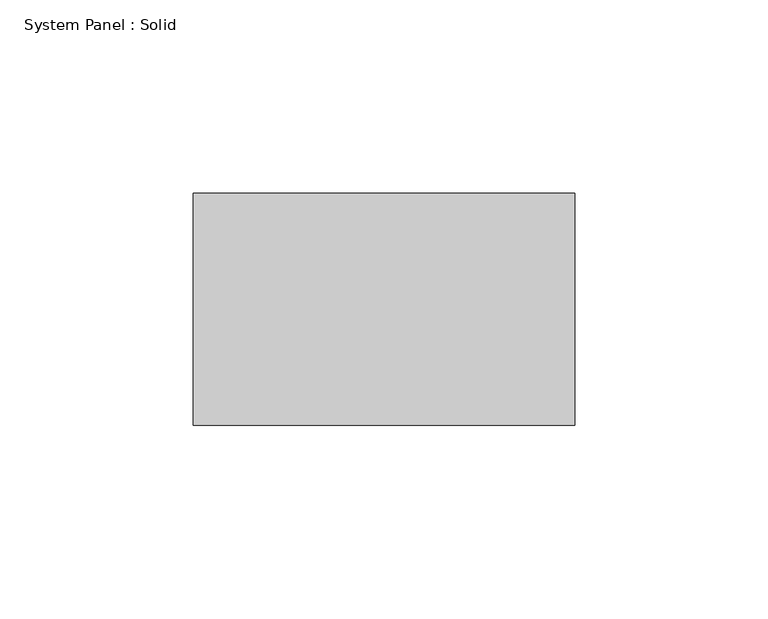
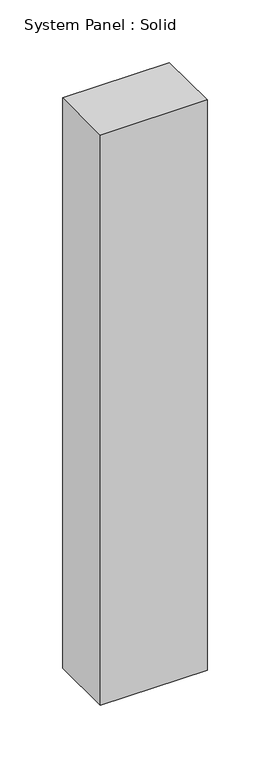
"""IFC4 building model written with IfcOpenShell, lengths in millimetres: plate geometry, System Panel : Solid."""

from ifc_helpers import new_model, si_unit, origin, origin_with_axes, place, context, project, spatial, polyline, outline, extrude, source, transform, mapped, element, save


def system_panel_solid_cc11b4a1(model_context):
    return source(origin(), model_context, "Body", "SweptSolid", [
        extrude(outline(polyline([(49.32484, -10.5), (-49.32484, -10.5), (-49.32484, 49.5), (49.32484, 49.5), (49.32484, -10.5)])), origin_with_axes(), (0.0, 0.0, 1.0), 556.2568418),
    ])


if __name__ == "__main__":
    model = new_model("IFC4")
    model_context = context("Model", 3, world=origin())
    ifc_project = project(units=[si_unit("LENGTHUNIT", "METRE", prefix="MILLI")], contexts=[model_context])
    site = spatial("IfcSite", under=ifc_project)
    building = spatial("IfcBuilding", under=site)
    placement = place(None, origin())
    system_panel_solid_shape = system_panel_solid_cc11b4a1(model_context)
    element("IfcPlate", 1, ObjectType="System Panel : Solid", at=placement, inside=building, context=model_context, shape_type="MappedRepresentation", body=[
        mapped(system_panel_solid_shape, transform((0.0, 0.0, 0.0), x_axis=(1.0, 0.0, 0.0), y_axis=(0.0, 1.0, 0.0), z_axis=(0.0, 0.0, 1.0))),
    ])
    save(model, "model.ifc")
